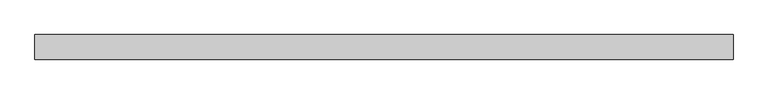
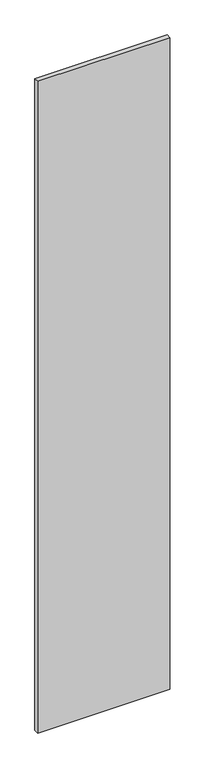
"""IFC4 building model written with IfcOpenShell, lengths in millimetres: proxy geometry."""

from ifc_helpers import new_model, si_unit, origin, origin_with_axes, place, context, project, spatial, polyline, outline, extrude, source, transform, mapped, element, save


def generic_models_535716d0(model_context):
    return source(origin(), model_context, "Body", "SweptSolid", [
        extrude(outline(polyline([(1400.0, -50.0), (0.0, -50.0), (0.0, 0.0), (1400.0, 0.0), (1400.0, -50.0)])), origin_with_axes(), (0.0, 0.0, 1.0), 7300.0),
    ])


if __name__ == "__main__":
    model = new_model("IFC4")
    model_context = context("Model", 3, world=origin())
    ifc_project = project(units=[si_unit("LENGTHUNIT", "METRE", prefix="MILLI")], contexts=[model_context])
    site = spatial("IfcSite", under=ifc_project)
    building = spatial("IfcBuilding", under=site)
    placement = place(None, origin())
    generic_models_shape = generic_models_535716d0(model_context)
    element("IfcBuildingElementProxy", 1, Name="Generic Models", at=placement, inside=building, context=model_context, shape_type="MappedRepresentation", body=[
        mapped(generic_models_shape, transform((0.0, 0.0, 0.0), x_axis=(1.0, 0.0, 0.0), y_axis=(0.0, 1.0, 0.0), z_axis=(0.0, 0.0, 1.0))),
    ])
    save(model, "model.ifc")
